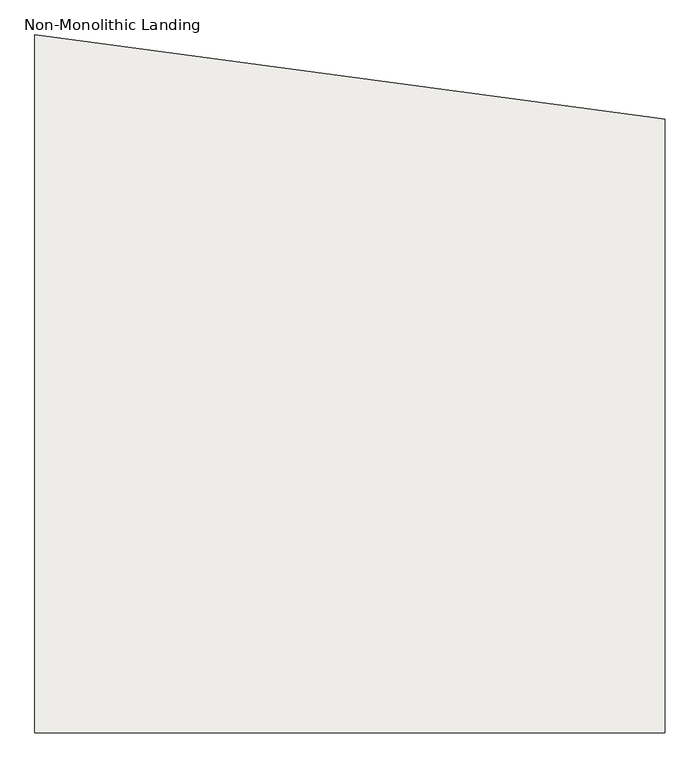
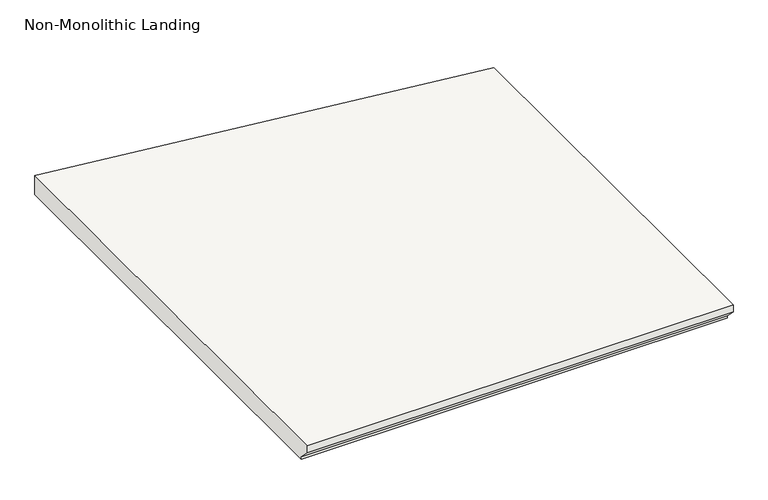
"""IFC4 building model written with IfcOpenShell, lengths in millimetres: slab geometry, Non-Monolithic Landing."""

from ifc_helpers import new_model, si_unit, frame, origin, place, context, project, spatial, polyline, circle_curve, source, transform, mapped, element, save
from ifc_brep_helpers import plane_surface, revolved_surface, advanced_brep


def non_monolithic_landing_d5fc876a(model_context):
    return source(origin(), model_context, "Body", "AdvancedBrep", [
        advanced_brep(
        [(29581.0368532, -14119.094512, 1331.6323529), (29581.0368532, -14119.094512, 1350.6823529), (28488.8368532, -14119.094512, 1350.6823529), (28488.8368532, -14119.094512, 1331.6323529), (29581.0368532, -14093.694512, 1306.2323529), (28488.8368532, -14093.694512, 1306.2323529), (29581.0368532, -13055.6558017, 1350.6823529), (29555.6368532, -13052.294512, 1350.6823529), (28488.8368532, -12909.6079968, 1350.6823529), (29581.0368532, -14093.694512, 1299.8823529), (28488.8368532, -14093.694512, 1299.8823529), (28488.8368532, -12909.6079968, 1299.8823529), (29555.6368532, -13052.294512, 1299.8823529), (29581.0368532, -13055.6558017, 1299.8823529)],
        [
            (0, 1),
            (1, 2),
            (2, 3),
            (3, 0),
            (4, 0),
            (3, 5),
            (5, 4),
            (6, 7, circle_curve(frame((30774.8368532, -3936.9092316, 1350.6823529), z_axis=(0.0, 0.0, -1.0), x_axis=(1.0, 0.0, 0.0)), 9196.5590005)),
            (7, 8),
            (8, 2),
            (1, 6),
            (9, 10),
            (10, 11),
            (11, 12),
            (12, 13, circle_curve(frame((30774.8368532, -3936.9092316, 1299.8823529), z_axis=(0.0, 0.0, 1.0), x_axis=(1.0, 0.0, 0.0)), 9196.5590005)),
            (13, 9),
            (9, 4),
            (5, 10),
            (13, 6),
            (12, 7),
            (11, 8),
        ],
        [
            plane_surface(frame((29581.0368532, -14119.094512, 1350.6823529), z_axis=(0.0, -1.0, 0.0), x_axis=(-1.0, 0.0, 0.0))),
            plane_surface(frame((29581.0368532, -14119.094512, 1331.6323529), z_axis=(0.0, -0.7071067811865489, -0.7071067811865461), x_axis=(-1.0, 0.0, 0.0))),
            plane_surface(frame((29022.2368532, -14093.694512, 1350.6823529), z_axis=(0.0, 0.0, 1.0), x_axis=(1.0, 0.0, 0.0))),
            plane_surface(frame((29022.2368532, -14093.694512, 1299.8823529), z_axis=(0.0, 0.0, -1.0), x_axis=(-1.0, 0.0, 0.0))),
            plane_surface(frame((28488.8368532, -14093.694512, 1350.6823529), z_axis=(0.0, -1.0, 0.0), x_axis=(0.0, 0.0, -1.0))),
            plane_surface(frame((29581.0368532, -14093.694512, 1350.6823529), z_axis=(1.0, 0.0, 0.0), x_axis=(0.0, 0.0, -1.0))),
            revolved_surface(polyline([(39971.3958537, -3936.9092316, 1299.8823529), (39971.3958537, -3936.9092316, 1350.6823529)]), (30774.8368532, -3936.9092316, 1299.8823529), (0.0, 0.0, -1.0)),
            plane_surface(frame((29555.6368532, -13052.294512, 1350.6823529), z_axis=(0.13257132367991073, 0.9911734682374, 0.0), x_axis=(0.0, 0.0, -1.0))),
            plane_surface(frame((28488.8368532, -12909.6079968, 1350.6823529), z_axis=(-1.0, 0.0, 0.0), x_axis=(0.0, 0.0, -1.0))),
        ],
        [
            (0, [[1, 2, 3, 4]]),
            (1, [[5, -4, 6, 7]]),
            (2, [[8, 9, 10, -2, 11]]),
            (3, [[12, 13, 14, 15, 16]]),
            (4, [[-12, 17, -7, 18]]),
            (5, [[-11, -1, -5, -17, -16, 19]]),
            (6, [[-8, -19, -15, 20]]),
            (7, [[-9, -20, -14, 21]]),
            (8, [[-10, -21, -13, -18, -6, -3]]),
        ],
    ),
    ])


if __name__ == "__main__":
    model = new_model("IFC4")
    model_context = context("Model", 3, world=origin())
    ifc_project = project(units=[si_unit("LENGTHUNIT", "METRE", prefix="MILLI")], contexts=[model_context])
    site = spatial("IfcSite", under=ifc_project)
    building = spatial("IfcBuilding", under=site)
    placement = place(None, origin())
    non_monolithic_landing_shape = non_monolithic_landing_d5fc876a(model_context)
    element("IfcSlab", 1, ObjectType="Non-Monolithic Landing", at=placement, inside=building, context=model_context, shape_type="MappedRepresentation", body=[
        mapped(non_monolithic_landing_shape, transform((0.0, 0.0, 0.0), x_axis=(1.0, 0.0, 0.0), y_axis=(0.0, 1.0, 0.0), z_axis=(0.0, 0.0, 1.0))),
    ])
    save(model, "model.ifc")
